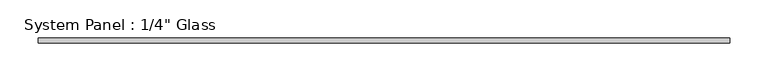
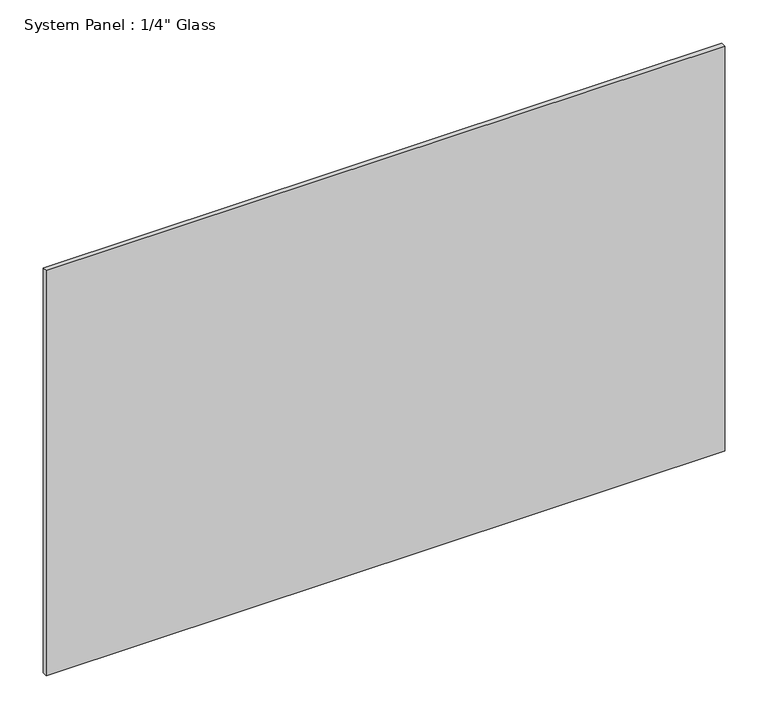
"""IFC4 building model written with IfcOpenShell, lengths in millimetres: plate geometry."""

from ifc_helpers import new_model, si_unit, origin, origin_with_axes, place, context, project, spatial, polyline, outline, extrude, source, transform, mapped, element, save


def plate_0517c4ae(model_context):
    return source(origin(), model_context, "Body", "SweptSolid", [
        extrude(outline(polyline([(452.4375, -3.175), (-452.4375, -3.175), (-452.4375, 3.175), (452.4375, 3.175), (452.4375, -3.175)])), origin_with_axes(), (0.0, 0.0, 1.0), 571.5),
    ])


if __name__ == "__main__":
    model = new_model("IFC4")
    model_context = context("Model", 3, world=origin())
    ifc_project = project(units=[si_unit("LENGTHUNIT", "METRE", prefix="MILLI")], contexts=[model_context])
    site = spatial("IfcSite", under=ifc_project)
    building = spatial("IfcBuilding", under=site)
    placement = place(None, origin())
    plate_shape = plate_0517c4ae(model_context)
    element("IfcPlate", 1, ObjectType="System Panel : 1/4\" Glass", at=placement, inside=building, context=model_context, shape_type="MappedRepresentation", body=[
        mapped(plate_shape, transform((0.0, 0.0, 0.0), x_axis=(1.0, 0.0, 0.0), y_axis=(0.0, 1.0, 0.0), z_axis=(0.0, 0.0, 1.0))),
    ])
    save(model, "model.ifc")
